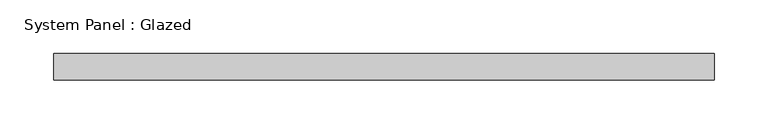
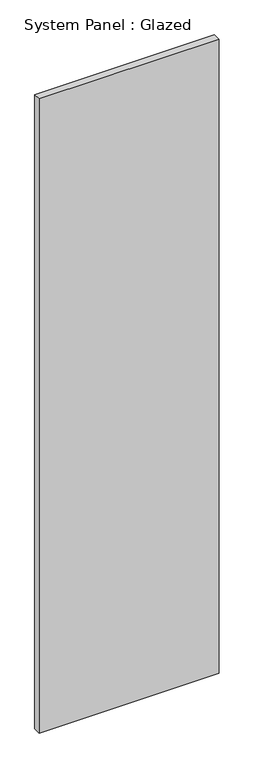
"""IFC4 building model written with IfcOpenShell, lengths in millimetres: plate geometry, System Panel : Glazed."""

from ifc_helpers import new_model, si_unit, origin, origin_with_axes, place, context, project, spatial, polyline, outline, extrude, source, transform, mapped, element, save


def system_panel_glazed_7788101e(model_context):
    return source(origin(), model_context, "Body", "SweptSolid", [
        extrude(outline(polyline([(308.75, -49.5), (-308.75, -49.5), (-308.75, -24.5), (308.75, -24.5), (308.75, -49.5)])), origin_with_axes(), (0.0, 0.0, 1.0), 2300.0),
    ])


if __name__ == "__main__":
    model = new_model("IFC4")
    model_context = context("Model", 3, world=origin())
    ifc_project = project(units=[si_unit("LENGTHUNIT", "METRE", prefix="MILLI")], contexts=[model_context])
    site = spatial("IfcSite", under=ifc_project)
    building = spatial("IfcBuilding", under=site)
    placement = place(None, origin())
    system_panel_glazed_shape = system_panel_glazed_7788101e(model_context)
    element("IfcPlate", 1, ObjectType="System Panel : Glazed", at=placement, inside=building, context=model_context, shape_type="MappedRepresentation", body=[
        mapped(system_panel_glazed_shape, transform((0.0, 0.0, 0.0), x_axis=(1.0, 0.0, 0.0), y_axis=(0.0, 1.0, 0.0), z_axis=(0.0, 0.0, 1.0))),
    ])
    save(model, "model.ifc")
